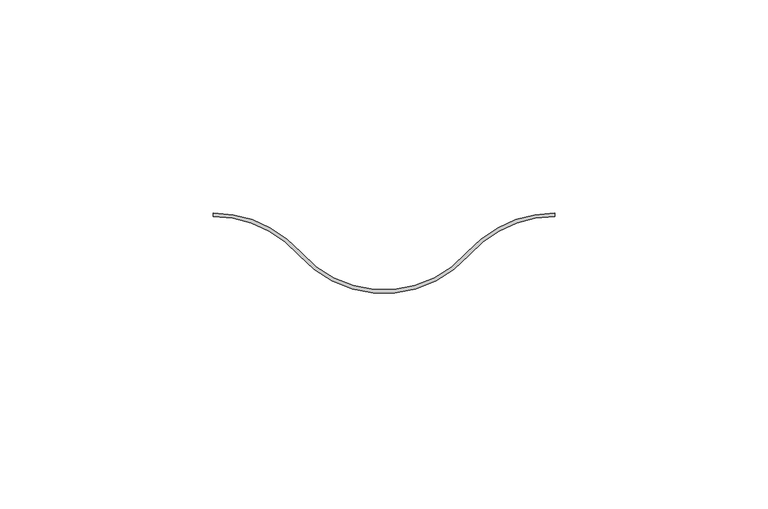
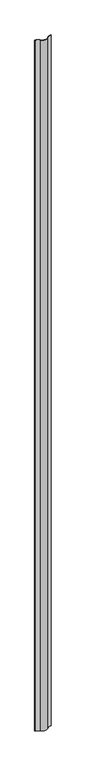
"""IFC4 building model written with IfcOpenShell, lengths in millimetres: plate geometry."""

from ifc_helpers import new_model, si_unit, point, frame_2d, origin, origin_with_axes, place, context, project, spatial, polyline, circle_curve, trimmed, segment, composite_curve, outline, extrude, source, transform, mapped, element, save


def plate_c2847fa0(model_context):
    return source(origin(), model_context, "Body", "SweptSolid", [
        extrude(outline(composite_curve([segment(trimmed(circle_curve(frame_2d((0.0, 26.7222222)), 26.7222222), [point((20.0, 9.0))], [point((-20.0, 9.0))], False, "CARTESIAN"), True, "CONTINUOUS"), segment(trimmed(circle_curve(frame_2d((-40.0, -8.7222222)), 26.7222222), [point((-20.0, 9.0))], [point((-40.0, 18.0))], True, "CARTESIAN"), True, "CONTINUOUS"), segment(polyline([(-40.0, 18.0), (-40.0, 18.8)]), True, "CONTINUOUS"), segment(trimmed(circle_curve(frame_2d((-40.0, -8.7222222)), 27.5222222), [point((-40.0, 18.8))], [point((-19.4012474, 9.5305613))], False, "CARTESIAN"), True, "CONTINUOUS"), segment(trimmed(circle_curve(frame_2d((0.0, 26.7222222)), 25.9222222), [point((-19.4012474, 9.5305613))], [point((19.4012474, 9.5305613))], True, "CARTESIAN"), True, "CONTINUOUS"), segment(trimmed(circle_curve(frame_2d((40.0, -8.7222222)), 27.5222222), [point((19.4012474, 9.5305613))], [point((40.0, 18.8))], False, "CARTESIAN"), True, "CONTINUOUS"), segment(polyline([(40.0, 18.8), (40.0, 18.0)]), True, "CONTINUOUS"), segment(trimmed(circle_curve(frame_2d((40.0, -8.7222222)), 26.7222222), [point((40.0, 18.0))], [point((20.0, 9.0))], True, "CARTESIAN"), True, "CONTINUOUS")], self_intersect=False)), origin_with_axes(), (0.0, 0.0, 1.0), 3600.0),
    ])


if __name__ == "__main__":
    model = new_model("IFC4")
    model_context = context("Model", 3, world=origin())
    ifc_project = project(units=[si_unit("LENGTHUNIT", "METRE", prefix="MILLI")], contexts=[model_context])
    site = spatial("IfcSite", under=ifc_project)
    building = spatial("IfcBuilding", under=site)
    placement = place(None, origin())
    plate_shape = plate_c2847fa0(model_context)
    element("IfcPlate", 1, at=placement, inside=building, context=model_context, shape_type="MappedRepresentation", body=[
        mapped(plate_shape, transform((0.0, 0.0, 0.0), x_axis=(1.0, 0.0, 0.0), y_axis=(0.0, 1.0, 0.0), z_axis=(0.0, 0.0, 1.0))),
    ])
    save(model, "model.ifc")
